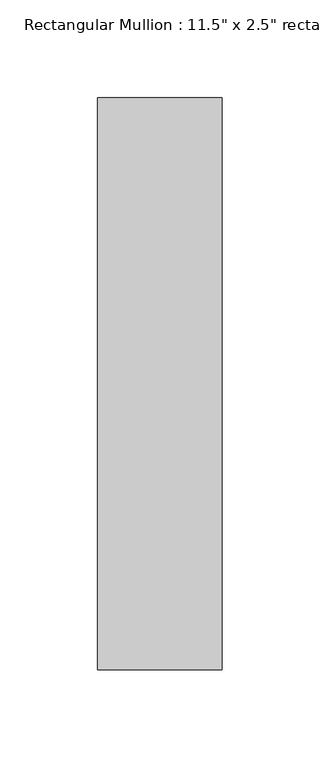
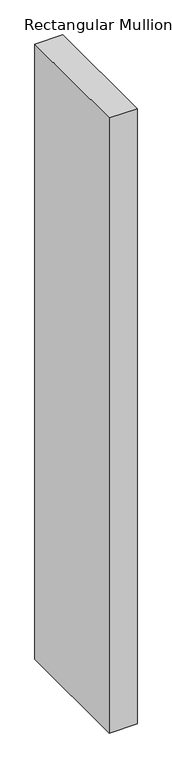
"""IFC4 building model written with IfcOpenShell, lengths in millimetres: member geometry."""

from ifc_helpers import new_model, si_unit, frame, origin, place, context, project, spatial, polyline, outline, extrude, source, transform, mapped, element, save


def member_ba4ab8eb(model_context):
    return source(origin(), model_context, "Body", "SweptSolid", [
        extrude(outline(polyline([(0.0, 203.2), (0.0, -88.9), (-63.5, -88.9), (-63.5, 203.2), (0.0, 203.2)])), frame((0.0, 0.0, -1479.05), z_axis=(0.0, 0.0, 1.0), x_axis=(1.0, 0.0, 0.0)), (0.0, 0.0, 1.0), 1479.05),
    ])


if __name__ == "__main__":
    model = new_model("IFC4")
    model_context = context("Model", 3, world=origin())
    ifc_project = project(units=[si_unit("LENGTHUNIT", "METRE", prefix="MILLI")], contexts=[model_context])
    site = spatial("IfcSite", under=ifc_project)
    building = spatial("IfcBuilding", under=site)
    placement = place(None, origin())
    member_shape = member_ba4ab8eb(model_context)
    element("IfcMember", 1, ObjectType="Rectangular Mullion : 11.5\" x 2.5\" rectangular", at=placement, inside=building, context=model_context, shape_type="MappedRepresentation", body=[
        mapped(member_shape, transform((0.0, 0.0, 0.0), x_axis=(1.0, 0.0, 0.0), y_axis=(0.0, 1.0, 0.0), z_axis=(0.0, 0.0, 1.0))),
    ])
    save(model, "model.ifc")
